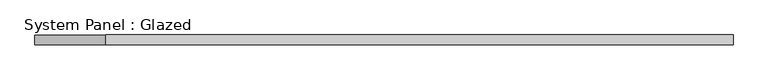
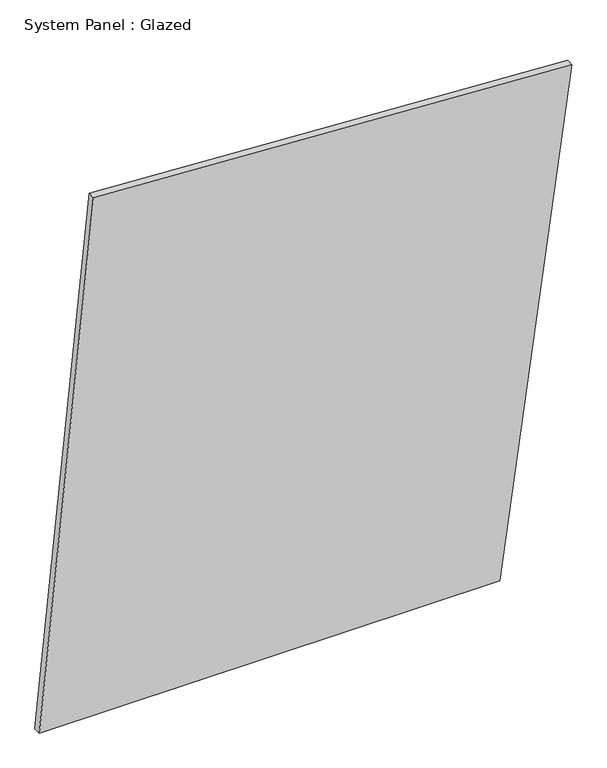
"""IFC4 building model written with IfcOpenShell, lengths in millimetres: plate geometry, System Panel : Glazed."""

from ifc_helpers import new_model, si_unit, frame, origin, place, context, project, spatial, polyline, outline, extrude, source, transform, mapped, element, save


def system_panel_glazed_ee01f7d4(model_context):
    return source(origin(), model_context, "Body", "SweptSolid", [
        extrude(outline(polyline([(0.0, -893.8604773), (0.0, 651.2343768), (1745.1116713, 893.8604773), (1835.7497506, -712.0939445), (0.0, -893.8604773)])), frame((0.0, 24.5, 0.0), z_axis=(0.0, 1.0, 0.0), x_axis=(0.0, 0.0, 1.0)), (0.0, 0.0, 1.0), 25.0),
    ])


if __name__ == "__main__":
    model = new_model("IFC4")
    model_context = context("Model", 3, world=origin())
    ifc_project = project(units=[si_unit("LENGTHUNIT", "METRE", prefix="MILLI")], contexts=[model_context])
    site = spatial("IfcSite", under=ifc_project)
    building = spatial("IfcBuilding", under=site)
    placement = place(None, origin())
    system_panel_glazed_shape = system_panel_glazed_ee01f7d4(model_context)
    element("IfcPlate", 1, ObjectType="System Panel : Glazed", at=placement, inside=building, context=model_context, shape_type="MappedRepresentation", body=[
        mapped(system_panel_glazed_shape, transform((0.0, 0.0, 0.0), x_axis=(1.0, 0.0, 0.0), y_axis=(0.0, 1.0, 0.0), z_axis=(0.0, 0.0, 1.0))),
    ])
    save(model, "model.ifc")
